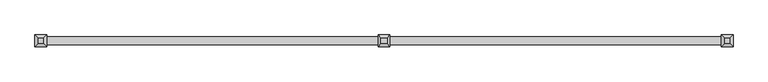
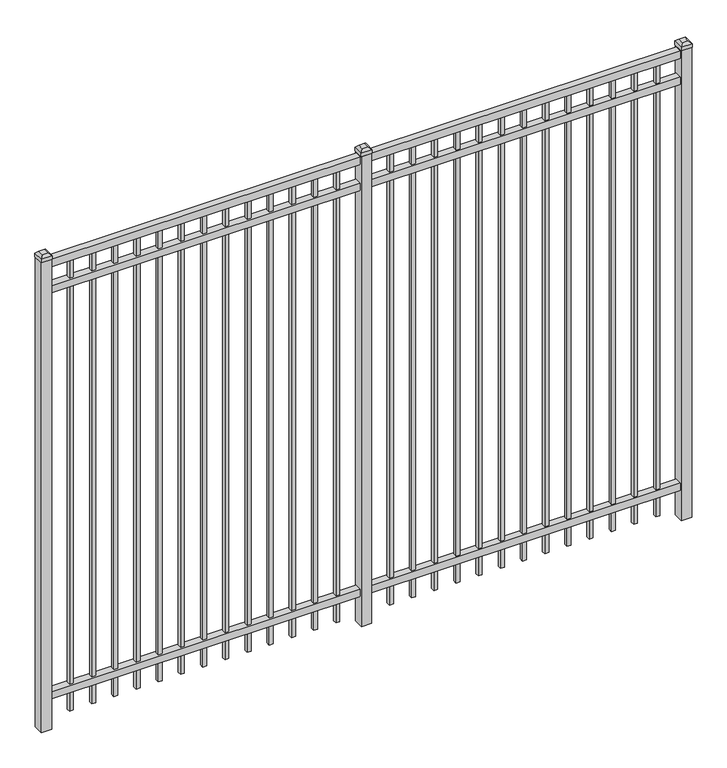
"""IFC4 building model written with IfcOpenShell, lengths in millimetres: railing geometry."""

from ifc_helpers import new_model, si_unit, frame, origin, origin_with_axes, place, context, project, spatial, polyline, outline, extrude, faceted_brep, source, transform, mapped, element, save


def railing_104e0eb0(model_context):
    return source(origin(), model_context, "Body", "SolidModel", [
        extrude(outline(polyline([(-55249.318087, -3091.1195174), (-55249.318087, -3056.1945174), (-52099.718087, -3056.1945174), (-52099.718087, -3091.1195174), (-55249.318087, -3091.1195174)])), frame((0.0, 0.0, 2400.3), z_axis=(0.0, 0.0, 1.0), x_axis=(1.0, 0.0, 0.0)), (0.0, 0.0, 1.0), 38.1),
        extrude(outline(polyline([(-55249.318087, -3091.1195174), (-55249.318087, -3056.1945174), (-52099.718087, -3056.1945174), (-52099.718087, -3091.1195174), (-55249.318087, -3091.1195174)])), frame((0.0, 0.0, 2263.775), z_axis=(0.0, 0.0, 1.0), x_axis=(1.0, 0.0, 0.0)), (0.0, 0.0, 1.0), 38.1),
        extrude(outline(polyline([(-55249.318087, -3091.1195174), (-55249.318087, -3056.1945174), (-52099.718087, -3056.1945174), (-52099.718087, -3091.1195174), (-55249.318087, -3091.1195174)])), frame((0.0, 0.0, 152.4), z_axis=(0.0, 0.0, 1.0), x_axis=(1.0, 0.0, 0.0)), (0.0, 0.0, 1.0), 38.1),
        extrude(outline(polyline([(-52331.2285036, -3064.1320174), (-52331.2285036, -3083.1820174), (-52350.2785036, -3083.1820174), (-52350.2785036, -3064.1320174), (-52331.2285036, -3064.1320174)])), frame((0.0, 0.0, 50.8), z_axis=(0.0, 0.0, 1.0), x_axis=(1.0, 0.0, 0.0)), (0.0, 0.0, 1.0), 2349.5),
        extrude(outline(polyline([(-52440.5014203, -3064.1320174), (-52440.5014203, -3083.1820174), (-52459.5514203, -3083.1820174), (-52459.5514203, -3064.1320174), (-52440.5014203, -3064.1320174)])), frame((0.0, 0.0, 50.8), z_axis=(0.0, 0.0, 1.0), x_axis=(1.0, 0.0, 0.0)), (0.0, 0.0, 1.0), 2349.5),
        extrude(outline(polyline([(-52549.774337, -3064.1320174), (-52549.774337, -3083.1820174), (-52568.824337, -3083.1820174), (-52568.824337, -3064.1320174), (-52549.774337, -3064.1320174)])), frame((0.0, 0.0, 50.8), z_axis=(0.0, 0.0, 1.0), x_axis=(1.0, 0.0, 0.0)), (0.0, 0.0, 1.0), 2349.5),
        extrude(outline(polyline([(-52659.0472536, -3064.1320174), (-52659.0472536, -3083.1820174), (-52678.0972536, -3083.1820174), (-52678.0972536, -3064.1320174), (-52659.0472536, -3064.1320174)])), frame((0.0, 0.0, 50.8), z_axis=(0.0, 0.0, 1.0), x_axis=(1.0, 0.0, 0.0)), (0.0, 0.0, 1.0), 2349.5),
        extrude(outline(polyline([(-52768.3201703, -3064.1320174), (-52768.3201703, -3083.1820174), (-52787.3701703, -3083.1820174), (-52787.3701703, -3064.1320174), (-52768.3201703, -3064.1320174)])), frame((0.0, 0.0, 50.8), z_axis=(0.0, 0.0, 1.0), x_axis=(1.0, 0.0, 0.0)), (0.0, 0.0, 1.0), 2349.5),
        extrude(outline(polyline([(-52877.593087, -3064.1320174), (-52877.593087, -3083.1820174), (-52896.643087, -3083.1820174), (-52896.643087, -3064.1320174), (-52877.593087, -3064.1320174)])), frame((0.0, 0.0, 50.8), z_axis=(0.0, 0.0, 1.0), x_axis=(1.0, 0.0, 0.0)), (0.0, 0.0, 1.0), 2349.5),
        extrude(outline(polyline([(-52986.8660036, -3064.1320174), (-52986.8660036, -3083.1820174), (-53005.9160036, -3083.1820174), (-53005.9160036, -3064.1320174), (-52986.8660036, -3064.1320174)])), frame((0.0, 0.0, 50.8), z_axis=(0.0, 0.0, 1.0), x_axis=(1.0, 0.0, 0.0)), (0.0, 0.0, 1.0), 2349.5),
        extrude(outline(polyline([(-53096.1389203, -3064.1320174), (-53096.1389203, -3083.1820174), (-53115.1889203, -3083.1820174), (-53115.1889203, -3064.1320174), (-53096.1389203, -3064.1320174)])), frame((0.0, 0.0, 50.8), z_axis=(0.0, 0.0, 1.0), x_axis=(1.0, 0.0, 0.0)), (0.0, 0.0, 1.0), 2349.5),
        extrude(outline(polyline([(-53205.411837, -3064.1320174), (-53205.411837, -3083.1820174), (-53224.461837, -3083.1820174), (-53224.461837, -3064.1320174), (-53205.411837, -3064.1320174)])), frame((0.0, 0.0, 50.8), z_axis=(0.0, 0.0, 1.0), x_axis=(1.0, 0.0, 0.0)), (0.0, 0.0, 1.0), 2349.5),
        extrude(outline(polyline([(-53314.6847536, -3064.1320174), (-53314.6847536, -3083.1820174), (-53333.7347536, -3083.1820174), (-53333.7347536, -3064.1320174), (-53314.6847536, -3064.1320174)])), frame((0.0, 0.0, 50.8), z_axis=(0.0, 0.0, 1.0), x_axis=(1.0, 0.0, 0.0)), (0.0, 0.0, 1.0), 2349.5),
        extrude(outline(polyline([(-53423.9576703, -3064.1320174), (-53423.9576703, -3083.1820174), (-53443.0076703, -3083.1820174), (-53443.0076703, -3064.1320174), (-53423.9576703, -3064.1320174)])), frame((0.0, 0.0, 50.8), z_axis=(0.0, 0.0, 1.0), x_axis=(1.0, 0.0, 0.0)), (0.0, 0.0, 1.0), 2349.5),
        extrude(outline(polyline([(-52221.955587, -3064.1320174), (-52221.955587, -3083.1820174), (-52241.005587, -3083.1820174), (-52241.005587, -3064.1320174), (-52221.955587, -3064.1320174)])), frame((0.0, 0.0, 50.8), z_axis=(0.0, 0.0, 1.0), x_axis=(1.0, 0.0, 0.0)), (0.0, 0.0, 1.0), 2349.5),
        extrude(outline(polyline([(-53533.230587, -3064.1320174), (-53533.230587, -3083.1820174), (-53552.280587, -3083.1820174), (-53552.280587, -3064.1320174), (-53533.230587, -3064.1320174)])), frame((0.0, 0.0, 50.8), z_axis=(0.0, 0.0, 1.0), x_axis=(1.0, 0.0, 0.0)), (0.0, 0.0, 1.0), 2349.5),
        extrude(outline(polyline([(-53649.118087, -3048.2570174), (-53649.118087, -3099.0570174), (-53699.918087, -3099.0570174), (-53699.918087, -3048.2570174), (-53649.118087, -3048.2570174)])), origin_with_axes(), (0.0, 0.0, 1.0), 2444.75),
        faceted_brep([(-53701.505587, -3046.6695174, 2463.8), (-53701.505587, -3046.6695174, 2444.75), (-53701.505587, -3100.6445174, 2444.75), (-53701.505587, -3100.6445174, 2463.8), (-53688.805587, -3059.3695174, 2476.5), (-53688.805587, -3087.9445174, 2476.5), (-53647.530587, -3100.6445174, 2444.75), (-53647.530587, -3100.6445174, 2463.8), (-53660.230587, -3087.9445174, 2476.5), (-53647.530587, -3046.6695174, 2444.75), (-53647.530587, -3046.6695174, 2463.8), (-53660.230587, -3059.3695174, 2476.5)], [[[0, 1, 2, 3]], [[4, 0, 3, 5]], [[3, 2, 6, 7]], [[5, 3, 7, 8]], [[7, 6, 9, 10]], [[8, 7, 10, 11]], [[10, 9, 1, 0]], [[11, 10, 0, 4]], [[5, 8, 11, 4]], [[1, 9, 6, 2]]]),
        extrude(outline(polyline([(-53906.0285036, -3064.1320174), (-53906.0285036, -3083.1820174), (-53925.0785036, -3083.1820174), (-53925.0785036, -3064.1320174), (-53906.0285036, -3064.1320174)])), frame((0.0, 0.0, 50.8), z_axis=(0.0, 0.0, 1.0), x_axis=(1.0, 0.0, 0.0)), (0.0, 0.0, 1.0), 2349.5),
        extrude(outline(polyline([(-54015.3014203, -3064.1320174), (-54015.3014203, -3083.1820174), (-54034.3514203, -3083.1820174), (-54034.3514203, -3064.1320174), (-54015.3014203, -3064.1320174)])), frame((0.0, 0.0, 50.8), z_axis=(0.0, 0.0, 1.0), x_axis=(1.0, 0.0, 0.0)), (0.0, 0.0, 1.0), 2349.5),
        extrude(outline(polyline([(-54124.574337, -3064.1320174), (-54124.574337, -3083.1820174), (-54143.624337, -3083.1820174), (-54143.624337, -3064.1320174), (-54124.574337, -3064.1320174)])), frame((0.0, 0.0, 50.8), z_axis=(0.0, 0.0, 1.0), x_axis=(1.0, 0.0, 0.0)), (0.0, 0.0, 1.0), 2349.5),
        extrude(outline(polyline([(-54233.8472536, -3064.1320174), (-54233.8472536, -3083.1820174), (-54252.8972536, -3083.1820174), (-54252.8972536, -3064.1320174), (-54233.8472536, -3064.1320174)])), frame((0.0, 0.0, 50.8), z_axis=(0.0, 0.0, 1.0), x_axis=(1.0, 0.0, 0.0)), (0.0, 0.0, 1.0), 2349.5),
        extrude(outline(polyline([(-54343.1201703, -3064.1320174), (-54343.1201703, -3083.1820174), (-54362.1701703, -3083.1820174), (-54362.1701703, -3064.1320174), (-54343.1201703, -3064.1320174)])), frame((0.0, 0.0, 50.8), z_axis=(0.0, 0.0, 1.0), x_axis=(1.0, 0.0, 0.0)), (0.0, 0.0, 1.0), 2349.5),
        extrude(outline(polyline([(-54452.393087, -3064.1320174), (-54452.393087, -3083.1820174), (-54471.443087, -3083.1820174), (-54471.443087, -3064.1320174), (-54452.393087, -3064.1320174)])), frame((0.0, 0.0, 50.8), z_axis=(0.0, 0.0, 1.0), x_axis=(1.0, 0.0, 0.0)), (0.0, 0.0, 1.0), 2349.5),
        extrude(outline(polyline([(-54561.6660036, -3064.1320174), (-54561.6660036, -3083.1820174), (-54580.7160036, -3083.1820174), (-54580.7160036, -3064.1320174), (-54561.6660036, -3064.1320174)])), frame((0.0, 0.0, 50.8), z_axis=(0.0, 0.0, 1.0), x_axis=(1.0, 0.0, 0.0)), (0.0, 0.0, 1.0), 2349.5),
        extrude(outline(polyline([(-54670.9389203, -3064.1320174), (-54670.9389203, -3083.1820174), (-54689.9889203, -3083.1820174), (-54689.9889203, -3064.1320174), (-54670.9389203, -3064.1320174)])), frame((0.0, 0.0, 50.8), z_axis=(0.0, 0.0, 1.0), x_axis=(1.0, 0.0, 0.0)), (0.0, 0.0, 1.0), 2349.5),
        extrude(outline(polyline([(-54780.211837, -3064.1320174), (-54780.211837, -3083.1820174), (-54799.261837, -3083.1820174), (-54799.261837, -3064.1320174), (-54780.211837, -3064.1320174)])), frame((0.0, 0.0, 50.8), z_axis=(0.0, 0.0, 1.0), x_axis=(1.0, 0.0, 0.0)), (0.0, 0.0, 1.0), 2349.5),
        extrude(outline(polyline([(-54889.4847536, -3064.1320174), (-54889.4847536, -3083.1820174), (-54908.5347536, -3083.1820174), (-54908.5347536, -3064.1320174), (-54889.4847536, -3064.1320174)])), frame((0.0, 0.0, 50.8), z_axis=(0.0, 0.0, 1.0), x_axis=(1.0, 0.0, 0.0)), (0.0, 0.0, 1.0), 2349.5),
        extrude(outline(polyline([(-54998.7576703, -3064.1320174), (-54998.7576703, -3083.1820174), (-55017.8076703, -3083.1820174), (-55017.8076703, -3064.1320174), (-54998.7576703, -3064.1320174)])), frame((0.0, 0.0, 50.8), z_axis=(0.0, 0.0, 1.0), x_axis=(1.0, 0.0, 0.0)), (0.0, 0.0, 1.0), 2349.5),
        extrude(outline(polyline([(-53796.755587, -3064.1320174), (-53796.755587, -3083.1820174), (-53815.805587, -3083.1820174), (-53815.805587, -3064.1320174), (-53796.755587, -3064.1320174)])), frame((0.0, 0.0, 50.8), z_axis=(0.0, 0.0, 1.0), x_axis=(1.0, 0.0, 0.0)), (0.0, 0.0, 1.0), 2349.5),
        extrude(outline(polyline([(-55108.030587, -3064.1320174), (-55108.030587, -3083.1820174), (-55127.080587, -3083.1820174), (-55127.080587, -3064.1320174), (-55108.030587, -3064.1320174)])), frame((0.0, 0.0, 50.8), z_axis=(0.0, 0.0, 1.0), x_axis=(1.0, 0.0, 0.0)), (0.0, 0.0, 1.0), 2349.5),
        extrude(outline(polyline([(-52074.318087, -3048.2570174), (-52074.318087, -3099.0570174), (-52125.118087, -3099.0570174), (-52125.118087, -3048.2570174), (-52074.318087, -3048.2570174)])), origin_with_axes(), (0.0, 0.0, 1.0), 2444.75),
        faceted_brep([(-52126.705587, -3046.6695174, 2463.8), (-52126.705587, -3046.6695174, 2444.75), (-52126.705587, -3100.6445174, 2444.75), (-52126.705587, -3100.6445174, 2463.8), (-52114.005587, -3059.3695174, 2476.5), (-52114.005587, -3087.9445174, 2476.5), (-52072.730587, -3100.6445174, 2444.75), (-52072.730587, -3100.6445174, 2463.8), (-52085.430587, -3087.9445174, 2476.5), (-52072.730587, -3046.6695174, 2444.75), (-52072.730587, -3046.6695174, 2463.8), (-52085.430587, -3059.3695174, 2476.5)], [[[0, 1, 2, 3]], [[4, 0, 3, 5]], [[3, 2, 6, 7]], [[5, 3, 7, 8]], [[7, 6, 9, 10]], [[8, 7, 10, 11]], [[10, 9, 1, 0]], [[11, 10, 0, 4]], [[5, 8, 11, 4]], [[1, 9, 6, 2]]]),
        extrude(outline(polyline([(-55223.918087, -3048.2570174), (-55223.918087, -3099.0570174), (-55274.718087, -3099.0570174), (-55274.718087, -3048.2570174), (-55223.918087, -3048.2570174)])), origin_with_axes(), (0.0, 0.0, 1.0), 2444.75),
        faceted_brep([(-55276.305587, -3046.6695174, 2463.8), (-55276.305587, -3046.6695174, 2444.75), (-55276.305587, -3100.6445174, 2444.75), (-55276.305587, -3100.6445174, 2463.8), (-55263.605587, -3059.3695174, 2476.5), (-55263.605587, -3087.9445174, 2476.5), (-55222.330587, -3100.6445174, 2444.75), (-55222.330587, -3100.6445174, 2463.8), (-55235.030587, -3087.9445174, 2476.5), (-55222.330587, -3046.6695174, 2444.75), (-55222.330587, -3046.6695174, 2463.8), (-55235.030587, -3059.3695174, 2476.5)], [[[0, 1, 2, 3]], [[4, 0, 3, 5]], [[3, 2, 6, 7]], [[5, 3, 7, 8]], [[7, 6, 9, 10]], [[8, 7, 10, 11]], [[10, 9, 1, 0]], [[11, 10, 0, 4]], [[5, 8, 11, 4]], [[1, 9, 6, 2]]]),
    ])


if __name__ == "__main__":
    model = new_model("IFC4")
    model_context = context("Model", 3, world=origin())
    ifc_project = project(units=[si_unit("LENGTHUNIT", "METRE", prefix="MILLI")], contexts=[model_context])
    site = spatial("IfcSite", under=ifc_project)
    building = spatial("IfcBuilding", under=site)
    placement = place(None, origin())
    railing_shape = railing_104e0eb0(model_context)
    element("IfcRailing", 1, at=placement, inside=building, context=model_context, shape_type="MappedRepresentation", body=[
        mapped(railing_shape, transform((0.0, 0.0, 0.0), x_axis=(1.0, 0.0, 0.0), y_axis=(0.0, 1.0, 0.0), z_axis=(0.0, 0.0, 1.0))),
    ])
    save(model, "model.ifc")
